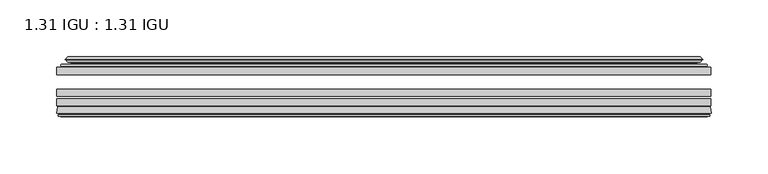
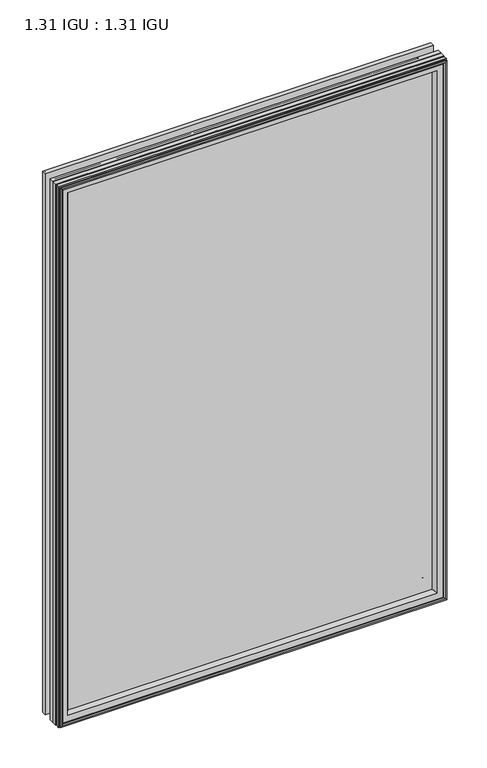
"""IFC4 building model written with IfcOpenShell, lengths in millimetres: plate geometry, 1.31 IGU : 1.31 IGU."""

import ifcopenshell
import ifcopenshell.guid

model = None  # the IFC model being written
_history = None  # IfcOwnerHistory: only IFC2X3 demands one
_inside = {}  # id of a spatial element -> (the spatial element, [elements in it])
_under = {}  # id of a project, library or spatial element -> (it, [spatial elements below it])
_declared = {}  # id of a project -> (the project, [libraries it declares])
_typed = {}  # id of a type object -> (the type object, [elements of that type])
_made_of = {}  # id of a material, layer set ... -> (it, [elements and type objects made of it])


def new_model(schema):
    """Start an empty IFC model of exactly this schema.

    Asked for "IFC4X3", IfcOpenShell would pick the latest addendum, in which some entities
    have other attributes; the version numbers below select the first issue.
    IFC2X3 requires an IfcOwnerHistory on every rooted entity: one is made here for all.
    """
    global model, _history
    if schema == "IFC4X3":
        model = ifcopenshell.file(schema_version=(4, 3, 0, 0))
    else:
        model = ifcopenshell.file(schema=schema)
    _inside.clear()
    _under.clear()
    _declared.clear()
    _typed.clear()
    _made_of.clear()
    _history = None
    if model.schema == "IFC2X3":
        org = make("IfcOrganization", Name="unknown")
        user = make(
            "IfcPersonAndOrganization",
            ThePerson=make("IfcPerson", FamilyName="unknown"),
            TheOrganization=org,
        )
        app = make(
            "IfcApplication",
            ApplicationDeveloper=org,
            Version="unknown",
            ApplicationFullName="unknown",
            ApplicationIdentifier="unknown",
        )
        _history = make(
            "IfcOwnerHistory",
            OwningUser=user,
            OwningApplication=app,
            ChangeAction="ADDED",
            CreationDate=0,
        )
    return model


def make(cls, **values):
    """One entity of the class cls with the attributes given. An attribute that is None is left unset."""
    return model.create_entity(
        cls, **{name: value for name, value in values.items() if value is not None}
    )


def rooted(cls, **values):
    """An entity with a GlobalId (a new one), such as an element, a storey or a relation."""
    return make(cls, GlobalId=ifcopenshell.guid.new(), OwnerHistory=_history, **values)


def si_unit(unit_type, name, prefix=None):
    """IfcSIUnit, for example si_unit("LENGTHUNIT", "METRE", prefix="MILLI")."""
    return make("IfcSIUnit", UnitType=unit_type, Prefix=prefix, Name=name)


def assignment(units):
    """IfcUnitAssignment: the units of a project."""
    return None if units is None else make("IfcUnitAssignment", Units=units)


def point(xyz):
    """IfcCartesianPoint."""
    return None if xyz is None else make("IfcCartesianPoint", Coordinates=xyz)


def direction(xyz):
    """IfcDirection."""
    return None if xyz is None else make("IfcDirection", DirectionRatios=xyz)


def frame(location, z_axis=None, x_axis=None):
    """IfcAxis2Placement3D, a coordinate frame: its origin and axes. An axis left out is left unset."""
    return make(
        "IfcAxis2Placement3D",
        Location=point(location),
        Axis=direction(z_axis),
        RefDirection=direction(x_axis),
    )


def origin():
    """The frame at (0, 0, 0) with its axes left unset."""
    return frame((0.0, 0.0, 0.0))


def place(relative_to, where):
    """IfcLocalPlacement: puts the frame where relative to a parent placement (None: the world)."""
    return make(
        "IfcLocalPlacement", PlacementRelTo=relative_to, RelativePlacement=where
    )


def context(
    kind, dimensions, precision=None, world=None, true_north=None, identifier=None
):
    """IfcGeometricRepresentationContext, for example the 3D "Model" context."""
    return make(
        "IfcGeometricRepresentationContext",
        ContextIdentifier=identifier,
        ContextType=kind,
        CoordinateSpaceDimension=dimensions,
        Precision=precision,
        WorldCoordinateSystem=world,
        TrueNorth=true_north,
    )


def project(units=None, contexts=None):
    """IfcProject with its units and contexts."""
    return rooted(
        "IfcProject",
        Name="project",
        RepresentationContexts=contexts,
        UnitsInContext=assignment(units),
    )


def spatial(cls, under=None, at=None, **own):
    """A site, building, storey or space (cls), placed at a placement, below another one or the project."""
    s = rooted(cls, ObjectPlacement=at, **own)
    if under is not None:
        _under.setdefault(under.id(), (under, []))[1].append(s)
    return s


def polyline(points):
    """IfcPolyline through the points."""
    return make("IfcPolyline", Points=[point(p) for p in points])


def ellipse_curve(where, semi_axis1, semi_axis2):
    """IfcEllipse in the frame where."""
    return make(
        "IfcEllipse", Position=where, SemiAxis1=semi_axis1, SemiAxis2=semi_axis2
    )


def outline(outer, holes=None, kind="AREA"):
    """IfcArbitraryClosedProfileDef: a profile drawn as a closed curve; with holes, ...WithVoids."""
    if holes is None:
        return make("IfcArbitraryClosedProfileDef", ProfileType=kind, OuterCurve=outer)
    return make(
        "IfcArbitraryProfileDefWithVoids",
        ProfileType=kind,
        OuterCurve=outer,
        InnerCurves=holes,
    )


def extrude(swept, where, along, depth):
    """IfcExtrudedAreaSolid: the profile swept, set in the frame where, extruded along a direction by depth."""
    return make(
        "IfcExtrudedAreaSolid",
        SweptArea=swept,
        Position=where,
        ExtrudedDirection=direction(along),
        Depth=depth,
    )


def shape(context_of_items, identifier, shape_type, items):
    """IfcShapeRepresentation: the items that make up one representation, for example the "Body"."""
    return make(
        "IfcShapeRepresentation",
        ContextOfItems=context_of_items,
        RepresentationIdentifier=identifier,
        RepresentationType=shape_type,
        Items=items,
    )


def source(mapping_origin, context_of_items, identifier, shape_type, items):
    """IfcRepresentationMap: a shape defined once, which mapped items show again and again."""
    return make(
        "IfcRepresentationMap",
        MappingOrigin=mapping_origin,
        MappedRepresentation=shape(context_of_items, identifier, shape_type, items),
    )


def transform(
    local_origin,
    x_axis=None,
    y_axis=None,
    z_axis=None,
    scale=None,
    scale2=None,
    scale3=None,
    uniform=True,
):
    """IfcCartesianTransformationOperator3D, or its non-uniform kind. x_axis, y_axis, z_axis: its Axis1, 2, 3."""
    if uniform:
        return make(
            "IfcCartesianTransformationOperator3D",
            Axis1=direction(x_axis),
            Axis2=direction(y_axis),
            LocalOrigin=point(local_origin),
            Scale=scale,
            Axis3=direction(z_axis),
        )
    return make(
        "IfcCartesianTransformationOperator3DnonUniform",
        Axis1=direction(x_axis),
        Axis2=direction(y_axis),
        LocalOrigin=point(local_origin),
        Scale=scale,
        Axis3=direction(z_axis),
        Scale2=scale2,
        Scale3=scale3,
    )


def mapped(mapping_source, mapping_target):
    """IfcMappedItem: shows the shape of a source again, moved by a transform."""
    return make(
        "IfcMappedItem", MappingSource=mapping_source, MappingTarget=mapping_target
    )


def made_of(thing, what):
    """Note that an element or type object is made of a material, layer set ...; save() writes the relation."""
    if what is not None:
        _made_of.setdefault(what.id(), (what, []))[1].append(thing)
    return thing


def element(
    cls,
    number,
    at=None,
    inside=None,
    cuts=None,
    type_object=None,
    material=None,
    context=None,
    identifier="Body",
    shape_type=None,
    held_by="IfcProductDefinitionShape",
    body=None,
    shapes=None,
    **own,
):
    """One element of the class cls, such as IfcWall. Its Tag is "e" and its number.

    at: its placement. inside: the storey or other place that contains it. cuts: it is an
    opening in that element (IfcRelVoidsElement). A single representation is given by context,
    identifier, shape_type and body (its items); several are given by shapes. held_by: the class
    of the entity that holds the representations. save() writes the other relations.
    """
    e = rooted(cls, Tag="e%d" % number, ObjectPlacement=at, **own)
    if body is not None:
        shapes = [shape(context, identifier, shape_type, body)]
    if shapes is not None:
        e.Representation = make(held_by, Representations=shapes)
    if inside is not None:
        _inside.setdefault(inside.id(), (inside, []))[1].append(e)
    if cuts is not None:
        rooted(
            "IfcRelVoidsElement", RelatingBuildingElement=cuts, RelatedOpeningElement=e
        )
    if type_object is not None:
        _typed.setdefault(type_object.id(), (type_object, []))[1].append(e)
    return made_of(e, material)


def aggregate(whole, parts):
    """IfcRelAggregates: a whole, such as a stair, and the parts it consists of."""
    return rooted("IfcRelAggregates", RelatingObject=whole, RelatedObjects=parts)


def save(model, path):
    """Write the relations noted so far, then the file.

    IfcRelAggregates (storeys below a building ...), IfcRelContainedInSpatialStructure (elements
    in a storey), IfcRelDefinesByType, IfcRelAssociatesMaterial and IfcRelDeclares: one each for
    every whole, place, type object, material and project.
    """
    for whole, parts in _under.values():
        aggregate(whole, parts)
    for where, things in _inside.values():
        rooted(
            "IfcRelContainedInSpatialStructure",
            RelatedElements=things,
            RelatingStructure=where,
        )
    for kind, things in _typed.values():
        rooted("IfcRelDefinesByType", RelatedObjects=things, RelatingType=kind)
    for what, things in _made_of.values():
        rooted("IfcRelAssociatesMaterial", RelatedObjects=things, RelatingMaterial=what)
    for by, libraries in _declared.values():
        rooted("IfcRelDeclares", RelatingContext=by, RelatedDefinitions=libraries)
    model.write(path)


def plane_surface(at):
    """IfcPlane: the flat surface through the origin of the frame at, square to its z axis."""
    return make("IfcPlane", Position=at)


def cylinder_surface(at, radius):
    """IfcCylindricalSurface: all points at the distance radius from the z axis of the frame at."""
    return make("IfcCylindricalSurface", Position=at, Radius=radius)


def revolved_surface(curve, axis_point, axis_direction):
    """IfcSurfaceOfRevolution: the curve turned about the line through axis_point along axis_direction."""
    return make(
        "IfcSurfaceOfRevolution",
        SweptCurve=make("IfcArbitraryOpenProfileDef", ProfileType="CURVE", Curve=curve),
        AxisPosition=make("IfcAxis1Placement", Location=point(axis_point), Axis=direction(axis_direction)),
    )


def advanced_brep(points, edges, surfaces, faces):
    """IfcAdvancedBrep: a solid bounded by faces that lie on surfaces and meet in shared edges.

    An edge is (start, end): straight between two places in points (the first is 0);
    or (start, end, curve); or (start, end, curve, False) where it runs against its curve.
    A face is (place in surfaces, loops), or (place, loops, False) where it looks against
    its surface's normal. A loop lists edges by number (the first is 1), with a minus sign
    where the edge is run from its end to its start. The first loop is the outer one.
    """
    corners = [point(p) for p in points]
    vertices = [make("IfcVertexPoint", VertexGeometry=c) for c in corners]
    made = []
    for start, end, *more in edges:
        made.append(
            make(
                "IfcEdgeCurve",
                EdgeStart=vertices[start],
                EdgeEnd=vertices[end],
                EdgeGeometry=more[0] if more else make("IfcPolyline", Points=[corners[start], corners[end]]),
                SameSense=more[1] if len(more) > 1 else True,
            )
        )
    hull = []
    for where, loops, *sense in faces:
        bounds = []
        for j, loop in enumerate(loops):
            ring = [make("IfcOrientedEdge", EdgeElement=made[abs(k) - 1], Orientation=k > 0) for k in loop]
            bounds.append(
                make(
                    "IfcFaceOuterBound" if j == 0 else "IfcFaceBound",
                    Bound=make("IfcEdgeLoop", EdgeList=ring),
                    Orientation=True,
                )
            )
        hull.append(make("IfcAdvancedFace", Bounds=bounds, FaceSurface=surfaces[where], SameSense=sense[0] if sense else True))
    return make("IfcAdvancedBrep", Outer=make("IfcClosedShell", CfsFaces=hull))


def plate_1_31_igu_1_31_igu_b3c1c8fb(model_context):
    return source(origin(), model_context, "Body", "SolidModel", [
        extrude(outline(polyline([(287.2705532, -51.7723437), (287.2705532, -58.1223438), (-287.3375, -58.1223438), (-287.3375, -51.7723437), (287.2705532, -51.7723437)])), frame((0.0, 0.0, -14.2875), z_axis=(0.0, 0.0, 1.0), x_axis=(1.0, 0.0, 0.0)), (0.0, 0.0, 1.0), 845.56038),
        extrude(outline(polyline([(-287.3375, -85.4273438), (-287.3375, -79.0773437), (287.2705532, -79.0773437), (287.2705532, -85.4273438), (-287.3375, -85.4273438)])), frame((0.0, 0.0, -14.2875), z_axis=(0.0, 0.0, 1.0), x_axis=(1.0, 0.0, 0.0)), (0.0, 0.0, 1.0), 845.56038),
        extrude(outline(polyline([(-287.3375, -77.1723438), (-287.3375, -70.8223438), (287.2705532, -70.8223438), (287.2705532, -77.1723438), (-287.3375, -77.1723438)])), frame((0.0, 0.0, -14.2875), z_axis=(0.0, 0.0, 1.0), x_axis=(1.0, 0.0, 0.0)), (0.0, 0.0, 1.0), 845.56038),
        advanced_brep(
        [(-287.3502, -91.7773437, 831.28558), (-286.6554162, -86.1187838, 830.5907962), (-286.6554162, -86.1187838, -13.6054162), (-287.3502, -91.7773437, -14.3002), (-284.9626, -93.768408, 828.89798), (-285.4198, -91.7773437, 829.35518), (-285.4198, -91.7773437, -12.3698), (-284.9626, -93.768408, -11.9126), (-285.9639619, -93.5000939, 829.8993418), (-285.9639619, -93.5000939, -12.9139619), (-286.2072, -94.407871, 830.14258), (-286.2072, -94.407871, -13.1572), (-284.1752, -94.9523437, 828.11058), (-284.1752, -94.9523437, -11.1252), (-282.1432, -94.407871, 826.07858), (-282.1432, -94.407871, -9.0932), (-282.3864381, -93.5000939, 826.3218181), (-282.3864381, -93.5000939, -9.3364381), (-283.3878, -93.768408, 827.32318), (-283.3878, -93.768408, -10.3378), (-282.9306, -91.7773437, 826.86598), (-282.9306, -91.7773437, -9.8806), (-268.8609786, -85.4273437, 812.7963585), (-273.05, -91.7773437, 816.98538), (-273.05, -91.7773437, 0.0), (-268.8609786, -85.4273437, 4.1890214), (-285.8738854, -85.4273437, 829.8092653), (-285.8738854, -85.4273437, -12.8238854), (286.6554162, -86.1187838, -13.6054162), (287.3502, -91.7773437, -14.3002), (285.4198, -91.7773437, -12.3698), (284.9626, -93.768408, -11.9126), (285.9639619, -93.5000939, -12.9139619), (286.2072, -94.407871, -13.1572), (284.1752, -94.9523437, -11.1252), (282.1432, -94.407871, -9.0932), (282.3864381, -93.5000939, -9.3364381), (283.3878, -93.768408, -10.3378), (282.9306, -91.7773437, -9.8806), (273.05, -91.7773437, 0.0), (268.8609786, -85.4273437, 4.1890214), (285.8738854, -85.4273437, -12.8238854), (286.6554162, -86.1187838, 830.5907962), (287.3502, -91.7773437, 831.28558), (285.4198, -91.7773437, 829.35518), (284.9626, -93.768408, 828.89798), (285.9639619, -93.5000939, 829.8993418), (286.2072, -94.407871, 830.14258), (284.1752, -94.9523437, 828.11058), (282.1432, -94.407871, 826.07858), (282.3864381, -93.5000939, 826.3218181), (283.3878, -93.768408, 827.32318), (282.9306, -91.7773437, 826.86598), (273.05, -91.7773437, 816.98538), (268.8609786, -85.4273437, 812.7963585), (285.8738854, -85.4273437, 829.8092653)],
        [
            (0, 1),
            (1, 2),
            (2, 3),
            (3, 0),
            (4, 5),
            (5, 6),
            (6, 7),
            (7, 4),
            (8, 4),
            (7, 9),
            (9, 8),
            (10, 8),
            (9, 11),
            (11, 10),
            (12, 10),
            (11, 13),
            (13, 12),
            (14, 12),
            (13, 15),
            (15, 14),
            (16, 14),
            (15, 17),
            (17, 16),
            (18, 16),
            (17, 19),
            (19, 18),
            (20, 18),
            (19, 21),
            (21, 20),
            (22, 23, ellipse_curve(frame((-266.066106, -91.8278132, 810.001486), z_axis=(0.7071067811865475, 0.0, 0.7071067811865475), x_axis=(0.7071067811865474, 0.0, -0.7071067811865476)), 9.8769754, 6.9840763)),
            (23, 24),
            (24, 25, ellipse_curve(frame((-266.066106, -91.8278132, 6.983894), z_axis=(0.7071067811865475, 0.0, -0.7071067811865475), x_axis=(-0.7071067811865474, 0.0, -0.7071067811865476)), 9.8769754, 6.9840763)),
            (25, 22),
            (1, 26, ellipse_curve(frame((-285.8738854, -86.2147437, 829.8092653), z_axis=(-0.7071067811865475, 0.0, -0.7071067811865475), x_axis=(-0.7071067811865474, 0.0, 0.7071067811865476)), 1.1135518, 0.7874)),
            (26, 27),
            (27, 2, ellipse_curve(frame((-285.8738854, -86.2147437, -12.8238854), z_axis=(-0.7071067811865475, 0.0, 0.7071067811865475), x_axis=(0.7071067811865474, 0.0, 0.7071067811865476)), 1.1135518, 0.7874)),
            (2, 28),
            (28, 29),
            (29, 3),
            (6, 30),
            (30, 31),
            (31, 7),
            (31, 32),
            (32, 9),
            (32, 33),
            (33, 11),
            (33, 34),
            (34, 13),
            (34, 35),
            (35, 15),
            (35, 36),
            (36, 17),
            (36, 37),
            (37, 19),
            (37, 38),
            (38, 21),
            (24, 39),
            (39, 40, ellipse_curve(frame((266.066106, -91.8278132, 6.983894), z_axis=(0.7071067811865475, 0.0, 0.7071067811865475), x_axis=(0.7071067811865476, 0.0, -0.7071067811865474)), 9.8769754, 6.9840763)),
            (40, 25),
            (27, 41),
            (41, 28, ellipse_curve(frame((285.8738854, -86.2147437, -12.8238854), z_axis=(-0.7071067811865475, 0.0, -0.7071067811865475), x_axis=(-0.7071067811865476, 0.0, 0.7071067811865474)), 1.1135518, 0.7874)),
            (28, 42),
            (42, 43),
            (43, 29),
            (30, 44),
            (44, 45),
            (45, 31),
            (45, 46),
            (46, 32),
            (46, 47),
            (47, 33),
            (47, 48),
            (48, 34),
            (48, 49),
            (49, 35),
            (49, 50),
            (50, 36),
            (50, 51),
            (51, 37),
            (51, 52),
            (52, 38),
            (39, 53),
            (53, 54, ellipse_curve(frame((266.066106, -91.8278132, 810.001486), z_axis=(-0.7071067811865475, 0.0, 0.7071067811865475), x_axis=(0.7071067811865474, 0.0, 0.7071067811865476)), 9.8769754, 6.9840763)),
            (54, 40),
            (41, 55),
            (55, 42, ellipse_curve(frame((285.8738854, -86.2147437, 829.8092653), z_axis=(0.7071067811865475, 0.0, -0.7071067811865475), x_axis=(-0.7071067811865474, 0.0, -0.7071067811865476)), 1.1135518, 0.7874)),
            (42, 1),
            (0, 43),
            (5, 44),
            (4, 45),
            (8, 46),
            (10, 47),
            (12, 48),
            (14, 49),
            (16, 50),
            (18, 51),
            (20, 52),
            (23, 53),
            (22, 54),
            (26, 55),
        ],
        [
            plane_surface(frame((-286.6554162, -86.1187838, 830.5907962), z_axis=(-0.9925461516413241, 0.12186934340513103, 0.0), x_axis=(0.0, 0.0, -1.0))),
            plane_surface(frame((-285.4198, -91.7773437, 829.35518), z_axis=(-0.9746347637895992, -0.22380142361654515, 0.0), x_axis=(0.0, 0.0, -1.0))),
            plane_surface(frame((-284.9626, -93.768408, 828.89798), z_axis=(0.25881904510266784, 0.9659258262890289, 0.0), x_axis=(0.0, 0.0, -1.0))),
            plane_surface(frame((-285.9639619, -93.5000939, 829.8993418), z_axis=(-0.9659258262890449, 0.2588190451026083, 0.0), x_axis=(0.0, 0.0, -1.0))),
            plane_surface(frame((-286.2072, -94.407871, 830.14258), z_axis=(-0.25881904510250453, -0.9659258262890726, 0.0), x_axis=(0.0, 0.0, -1.0))),
            plane_surface(frame((-284.1752, -94.9523437, 828.11058), z_axis=(0.258819045102479, -0.9659258262890795, 0.0), x_axis=(0.0, 0.0, -1.0))),
            plane_surface(frame((-282.1432, -94.407871, 826.07858), z_axis=(0.9659258262890272, 0.25881904510267406, 0.0), x_axis=(0.0, 0.0, -1.0))),
            plane_surface(frame((-282.3864381, -93.5000939, 826.3218181), z_axis=(-0.25881904510234177, 0.9659258262891163, 0.0), x_axis=(0.0, 0.0, -1.0))),
            plane_surface(frame((-283.3878, -93.768408, 827.32318), z_axis=(0.9746347637895937, -0.22380142361656946, 0.0), x_axis=(0.0, 0.0, -1.0))),
            revolved_surface(polyline([(-273.0501823, -91.8278132, -0.00018228295277822326), (-273.0501823, -91.8278132, 816.9855622829527)]), (-266.066106, -91.8278132, 848.73538), (0.0, 0.0, -1.0)),
            cylinder_surface(frame((-285.8738854, -86.2147437, 848.73538), z_axis=(0.0, 0.0, 1.0), x_axis=(-1.0, 0.0, 0.0)), 0.7874),
            plane_surface(frame((-286.6554162, -86.1187838, -13.6054162), z_axis=(0.0, 0.12186934340512784, -0.9925461516413245), x_axis=(1.0, 0.0, 0.0))),
            plane_surface(frame((-285.4198, -91.7773437, -12.3698), z_axis=(0.0, -0.22380142361654828, -0.9746347637895986), x_axis=(1.0, 0.0, 0.0))),
            plane_surface(frame((-284.9626, -93.768408, -11.9126), z_axis=(0.0, 0.9659258262890298, 0.25881904510266474), x_axis=(1.0, 0.0, 0.0))),
            plane_surface(frame((-285.9639619, -93.5000939, -12.9139619), z_axis=(0.0, 0.25881904510260517, -0.9659258262890458), x_axis=(1.0, 0.0, 0.0))),
            plane_surface(frame((-286.2072, -94.407871, -13.1572), z_axis=(0.0, -0.9659258262890735, -0.2588190451025014), x_axis=(1.0, 0.0, 0.0))),
            plane_surface(frame((-284.1752, -94.9523437, -11.1252), z_axis=(0.0, -0.9659258262890786, 0.2588190451024821), x_axis=(1.0, 0.0, 0.0))),
            plane_surface(frame((-282.1432, -94.407871, -9.0932), z_axis=(0.0, 0.2588190451026772, 0.9659258262890265), x_axis=(1.0, 0.0, 0.0))),
            plane_surface(frame((-282.3864381, -93.5000939, -9.3364381), z_axis=(0.0, 0.9659258262891154, -0.2588190451023449), x_axis=(1.0, 0.0, 0.0))),
            plane_surface(frame((-283.3878, -93.768408, -10.3378), z_axis=(0.0, -0.22380142361656633, 0.9746347637895943), x_axis=(1.0, 0.0, 0.0))),
            revolved_surface(polyline([(273.0501822829527, -91.8278132, -0.00018229999999963553), (-273.0501822829527, -91.8278132, -0.00018229999999963553)]), (-304.8, -91.8278132, 6.983894), (1.0, 0.0, 0.0)),
            cylinder_surface(frame((-304.8, -86.2147437, -12.8238854), z_axis=(-1.0, 0.0, 0.0), x_axis=(0.0, 0.0, -1.0)), 0.7874),
            plane_surface(frame((286.6554162, -86.1187838, -13.6054162), z_axis=(0.992546151641325, 0.12186934340512465, 0.0), x_axis=(0.0, 0.0, 1.0))),
            plane_surface(frame((285.4198, -91.7773437, -12.3698), z_axis=(0.9746347637895978, -0.2238014236165514, 0.0), x_axis=(0.0, 0.0, 1.0))),
            plane_surface(frame((284.9626, -93.768408, -11.9126), z_axis=(-0.2588190451026616, 0.9659258262890307, 0.0), x_axis=(0.0, 0.0, 1.0))),
            plane_surface(frame((285.9639619, -93.5000939, -12.9139619), z_axis=(0.9659258262890467, 0.25881904510260206, 0.0), x_axis=(0.0, 0.0, 1.0))),
            plane_surface(frame((286.2072, -94.407871, -13.1572), z_axis=(0.2588190451024983, -0.9659258262890744, 0.0), x_axis=(0.0, 0.0, 1.0))),
            plane_surface(frame((284.1752, -94.9523437, -11.1252), z_axis=(-0.25881904510248527, -0.9659258262890779, 0.0), x_axis=(0.0, 0.0, 1.0))),
            plane_surface(frame((282.1432, -94.407871, -9.0932), z_axis=(-0.9659258262890256, 0.25881904510268033, 0.0), x_axis=(0.0, 0.0, 1.0))),
            plane_surface(frame((282.3864381, -93.5000939, -9.3364381), z_axis=(0.25881904510234804, 0.9659258262891146, 0.0), x_axis=(0.0, 0.0, 1.0))),
            plane_surface(frame((283.3878, -93.768408, -10.3378), z_axis=(-0.974634763789595, -0.2238014236165632, 0.0), x_axis=(0.0, 0.0, 1.0))),
            revolved_surface(polyline([(273.0501823, -91.8278132, 816.9855622829527), (273.0501823, -91.8278132, -0.0001822829527107217)]), (266.066106, -91.8278132, -31.75), (0.0, 0.0, 1.0)),
            cylinder_surface(frame((285.8738854, -86.2147437, -31.75), z_axis=(0.0, 0.0, -1.0), x_axis=(1.0, 0.0, 0.0)), 0.7874),
            plane_surface(frame((286.6554162, -86.1187838, 830.5907962), z_axis=(0.0, 0.12186934340512784, 0.9925461516413245), x_axis=(-1.0, 0.0, 0.0))),
            plane_surface(frame((287.3502, -91.7773437, 831.28558), z_axis=(0.0, -1.0, 0.0), x_axis=(-1.0, 0.0, 0.0))),
            plane_surface(frame((285.4198, -91.7773437, 829.35518), z_axis=(0.0, -0.22380142361654826, 0.9746347637895985), x_axis=(-1.0, 0.0, 0.0))),
            plane_surface(frame((284.9626, -93.768408, 828.89798), z_axis=(0.0, 0.9659258262890298, -0.25881904510266474), x_axis=(-1.0, 0.0, 0.0))),
            plane_surface(frame((285.9639619, -93.5000939, 829.8993418), z_axis=(0.0, 0.25881904510260517, 0.9659258262890458), x_axis=(-1.0, 0.0, 0.0))),
            plane_surface(frame((286.2072, -94.407871, 830.14258), z_axis=(0.0, -0.9659258262890735, 0.2588190451025014), x_axis=(-1.0, 0.0, 0.0))),
            plane_surface(frame((284.1752, -94.9523437, 828.11058), z_axis=(0.0, -0.9659258262890787, -0.25881904510248216), x_axis=(-1.0, 0.0, 0.0))),
            plane_surface(frame((282.1432, -94.407871, 826.07858), z_axis=(0.0, 0.2588190451026772, -0.9659258262890265), x_axis=(-1.0, 0.0, 0.0))),
            plane_surface(frame((282.3864381, -93.5000939, 826.3218181), z_axis=(0.0, 0.9659258262891155, 0.25881904510234494), x_axis=(-1.0, 0.0, 0.0))),
            plane_surface(frame((283.3878, -93.768408, 827.32318), z_axis=(0.0, -0.22380142361656633, -0.9746347637895943), x_axis=(-1.0, 0.0, 0.0))),
            plane_surface(frame((282.9306, -91.7773437, 826.86598), z_axis=(0.0, -1.0, 0.0), x_axis=(-1.0, 0.0, 0.0))),
            revolved_surface(polyline([(-273.0501822829527, -91.8278132, 816.9855623), (273.0501822829527, -91.8278132, 816.9855623)]), (304.8, -91.8278132, 810.001486), (-1.0, 0.0, 0.0)),
            plane_surface(frame((268.8609786, -85.4273437, 812.7963585), z_axis=(0.0, 1.0, 0.0), x_axis=(-1.0, 0.0, 0.0))),
            cylinder_surface(frame((304.8, -86.2147437, 829.8092653), z_axis=(1.0, 0.0, 0.0), x_axis=(0.0, 0.0, 1.0)), 0.7874),
        ],
        [
            (0, [[1, 2, 3, 4]]),
            (1, [[5, 6, 7, 8]]),
            (2, [[9, -8, 10, 11]]),
            (3, [[12, -11, 13, 14]]),
            (4, [[15, -14, 16, 17]]),
            (5, [[18, -17, 19, 20]]),
            (6, [[21, -20, 22, 23]]),
            (7, [[24, -23, 25, 26]]),
            (8, [[27, -26, 28, 29]]),
            (9, [[30, 31, 32, 33]]),
            (10, [[34, 35, 36, -2]]),
            (11, [[-3, 37, 38, 39]]),
            (12, [[-7, 40, 41, 42]]),
            (13, [[-10, -42, 43, 44]]),
            (14, [[-13, -44, 45, 46]]),
            (15, [[-16, -46, 47, 48]]),
            (16, [[-19, -48, 49, 50]]),
            (17, [[-22, -50, 51, 52]]),
            (18, [[-25, -52, 53, 54]]),
            (19, [[-28, -54, 55, 56]]),
            (20, [[-32, 57, 58, 59]]),
            (21, [[-36, 60, 61, -37]]),
            (22, [[-38, 62, 63, 64]]),
            (23, [[-41, 65, 66, 67]]),
            (24, [[-43, -67, 68, 69]]),
            (25, [[-45, -69, 70, 71]]),
            (26, [[-47, -71, 72, 73]]),
            (27, [[-49, -73, 74, 75]]),
            (28, [[-51, -75, 76, 77]]),
            (29, [[-53, -77, 78, 79]]),
            (30, [[-55, -79, 80, 81]]),
            (31, [[-58, 82, 83, 84]]),
            (32, [[-61, 85, 86, -62]]),
            (33, [[-63, 87, -1, 88]]),
            (34, [[-39, -64, -88, -4], [89, -65, -40, -6]]),
            (35, [[-66, -89, -5, 90]]),
            (36, [[-68, -90, -9, 91]]),
            (37, [[-70, -91, -12, 92]]),
            (38, [[-72, -92, -15, 93]]),
            (39, [[-74, -93, -18, 94]]),
            (40, [[-76, -94, -21, 95]]),
            (41, [[-78, -95, -24, 96]]),
            (42, [[-80, -96, -27, 97]]),
            (43, [[-56, -81, -97, -29], [98, -82, -57, -31]]),
            (44, [[-83, -98, -30, 99]]),
            (45, [[100, -85, -60, -35], [-59, -84, -99, -33]]),
            (46, [[-86, -100, -34, -87]]),
        ],
    ),
        advanced_brep(
        [(-269.0022902, -50.6812421, 812.9376701), (-269.4441004, -51.7723437, 813.3794803), (-269.4441004, -51.7723437, 3.6058996), (-269.0022902, -50.6812421, 4.0477098), (-273.05, -42.9585437, 816.98538), (-273.05, -42.9585437, 0.0), (-278.2359109, -44.1396428, 822.1712908), (-278.2359109, -44.1396428, -5.1859109), (-277.9063356, -43.3125262, 821.8417156), (-277.9063356, -43.3125262, -4.8563356), (-277.9063356, -42.4982749, 821.8417156), (-277.9063356, -42.4982749, -4.8563356), (-279.7226111, -44.4569108, 823.657991), (-279.7226111, -44.4569108, -6.6726111), (-279.7226111, -45.1700367, 823.657991), (-279.7226111, -45.1700367, -6.6726111), (-277.9063356, -47.1188911, 821.8417156), (-277.9063356, -47.1188911, -4.8563356), (-277.9063356, -46.3144213, 821.8417156), (-277.9063356, -46.3144213, -4.8563356), (-278.2282501, -45.5065305, 822.1636301), (-278.2282501, -45.5065305, -5.1782501), (-275.7044379, -45.3481387, 819.6398178), (-275.7044379, -45.3481387, -2.6544379), (-274.6786217, -46.0358481, 818.6140016), (-274.6786217, -46.0358481, -1.6286217), (-274.7970288, -47.4303169, 818.7324088), (-274.7970288, -47.4303169, -1.7470288), (-275.3987748, -48.9275437, 819.3341547), (-275.3987748, -48.9275437, -2.3487748), (-283.3245553, -50.8359667, 827.2599353), (-282.8389245, -48.9275437, 826.7743045), (-282.8389245, -48.9275437, -9.7889245), (-283.3245553, -50.8359667, -10.2745553), (-281.6038155, -51.7723437, 825.5391954), (-281.6038155, -51.7723437, -8.5538155), (269.4441004, -51.7723437, 3.6058996), (269.0022902, -50.6812421, 4.0477098), (273.05, -42.9585437, 0.0), (278.2359109, -44.1396428, -5.1859109), (277.9063356, -43.3125262, -4.8563356), (277.9063356, -42.4982749, -4.8563356), (279.7226111, -44.4569108, -6.6726111), (279.7226111, -45.1700367, -6.6726111), (277.9063356, -47.1188911, -4.8563356), (277.9063356, -46.3144213, -4.8563356), (278.2282501, -45.5065305, -5.1782501), (275.7044379, -45.3481387, -2.6544379), (274.6786217, -46.0358481, -1.6286217), (274.7970288, -47.4303169, -1.7470288), (275.3987748, -48.9275437, -2.3487748), (282.8389245, -48.9275437, -9.7889245), (283.3245553, -50.8359667, -10.2745553), (281.6038155, -51.7723437, -8.5538155), (269.4441004, -51.7723437, 813.3794803), (269.0022902, -50.6812421, 812.9376701), (273.05, -42.9585437, 816.98538), (278.2359109, -44.1396428, 822.1712908), (277.9063356, -43.3125262, 821.8417156), (277.9063356, -42.4982749, 821.8417156), (279.7226111, -44.4569108, 823.657991), (279.7226111, -45.1700367, 823.657991), (277.9063356, -47.1188911, 821.8417156), (277.9063356, -46.3144213, 821.8417156), (278.2282501, -45.5065305, 822.1636301), (275.7044379, -45.3481387, 819.6398178), (274.6786217, -46.0358481, 818.6140016), (274.7970288, -47.4303169, 818.7324088), (275.3987748, -48.9275437, 819.3341547), (282.8389245, -48.9275437, 826.7743045), (283.3245553, -50.8359667, 827.2599353), (281.6038155, -51.7723437, 825.5391954)],
        [
            (0, 1, ellipse_curve(frame((-269.4441004, -51.1373437, 813.3794803), z_axis=(-0.7071067811865475, 0.0, -0.7071067811865475), x_axis=(-0.7071067811865474, 0.0, 0.7071067811865476)), 0.8980256, 0.635)),
            (1, 2),
            (2, 3, ellipse_curve(frame((-269.4441004, -51.1373437, 3.6058996), z_axis=(-0.7071067811865475, 0.0, 0.7071067811865475), x_axis=(0.7071067811865474, 0.0, 0.7071067811865476)), 0.8980256, 0.635)),
            (3, 0),
            (4, 0, ellipse_curve(frame((-259.3172054, -40.6828682, 803.2525854), z_axis=(0.7071067811865475, 0.0, 0.7071067811865475), x_axis=(0.7071067811865474, 0.0, -0.7071067811865476)), 19.6859517, 13.9200699)),
            (3, 5, ellipse_curve(frame((-259.3172054, -40.6828682, 13.7327946), z_axis=(0.7071067811865475, 0.0, -0.7071067811865475), x_axis=(-0.7071067811865474, 0.0, -0.7071067811865476)), 19.6859517, 13.9200699)),
            (5, 4),
            (6, 4),
            (5, 7),
            (7, 6),
            (8, 6),
            (7, 9),
            (9, 8),
            (10, 8),
            (9, 11),
            (11, 10),
            (12, 10),
            (11, 13),
            (13, 12),
            (14, 12, ellipse_curve(frame((-279.3607729, -44.8134737, 823.2961529), z_axis=(-0.7071067811865475, 0.0, -0.7071067811865475), x_axis=(-0.7071067811865474, 0.0, 0.7071067811865476)), 0.7184205, 0.508)),
            (13, 15, ellipse_curve(frame((-279.3607729, -44.8134737, -6.3107729), z_axis=(-0.7071067811865475, 0.0, 0.7071067811865475), x_axis=(0.7071067811865474, 0.0, 0.7071067811865476)), 0.7184205, 0.508)),
            (15, 14),
            (16, 14),
            (15, 17),
            (17, 16),
            (18, 16),
            (17, 19),
            (19, 18),
            (20, 18),
            (19, 21),
            (21, 20),
            (22, 20),
            (21, 23),
            (23, 22),
            (24, 22, ellipse_curve(frame((-275.6408, -46.3621437, 819.57618), z_axis=(0.7071067811865475, 0.0, 0.7071067811865475), x_axis=(0.7071067811865474, 0.0, -0.7071067811865476)), 1.436841, 1.016)),
            (23, 25, ellipse_curve(frame((-275.6408, -46.3621437, -2.5908), z_axis=(0.7071067811865475, 0.0, -0.7071067811865475), x_axis=(-0.7071067811865474, 0.0, -0.7071067811865476)), 1.436841, 1.016)),
            (25, 24),
            (26, 24, ellipse_curve(frame((-277.0124, -46.5399437, 820.94778), z_axis=(0.7071067811865475, 0.0, 0.7071067811865475), x_axis=(0.7071067811865474, 0.0, -0.7071067811865476)), 3.3765763, 2.3876)),
            (25, 27, ellipse_curve(frame((-277.0124, -46.5399437, -3.9624), z_axis=(0.7071067811865475, 0.0, -0.7071067811865475), x_axis=(-0.7071067811865474, 0.0, -0.7071067811865476)), 3.3765763, 2.3876)),
            (27, 26),
            (28, 26),
            (27, 29),
            (29, 28),
            (30, 31, ellipse_curve(frame((-282.8389245, -49.9435437, 826.7743045), z_axis=(-0.7071067811865475, 0.0, -0.7071067811865475), x_axis=(-0.7071067811865474, 0.0, 0.7071067811865476)), 1.436841, 1.016)),
            (31, 32),
            (32, 33, ellipse_curve(frame((-282.8389245, -49.9435437, -9.7889245), z_axis=(-0.7071067811865475, 0.0, 0.7071067811865475), x_axis=(0.7071067811865474, 0.0, 0.7071067811865476)), 1.436841, 1.016)),
            (33, 30),
            (34, 30),
            (33, 35),
            (35, 34),
            (2, 36),
            (36, 37, ellipse_curve(frame((269.4441004, -51.1373437, 3.6058996), z_axis=(-0.7071067811865475, 0.0, -0.7071067811865475), x_axis=(-0.7071067811865476, 0.0, 0.7071067811865474)), 0.8980256, 0.635)),
            (37, 3),
            (37, 38, ellipse_curve(frame((259.3172054, -40.6828682, 13.7327946), z_axis=(0.7071067811865475, 0.0, 0.7071067811865475), x_axis=(0.7071067811865476, 0.0, -0.7071067811865474)), 19.6859517, 13.9200699)),
            (38, 5),
            (38, 39),
            (39, 7),
            (39, 40),
            (40, 9),
            (40, 41),
            (41, 11),
            (41, 42),
            (42, 13),
            (42, 43, ellipse_curve(frame((279.3607729, -44.8134737, -6.3107729), z_axis=(-0.7071067811865475, 0.0, -0.7071067811865475), x_axis=(-0.7071067811865476, 0.0, 0.7071067811865474)), 0.7184205, 0.508)),
            (43, 15),
            (43, 44),
            (44, 17),
            (44, 45),
            (45, 19),
            (45, 46),
            (46, 21),
            (46, 47),
            (47, 23),
            (47, 48, ellipse_curve(frame((275.6408, -46.3621437, -2.5908), z_axis=(0.7071067811865475, 0.0, 0.7071067811865475), x_axis=(0.7071067811865476, 0.0, -0.7071067811865474)), 1.436841, 1.016)),
            (48, 25),
            (48, 49, ellipse_curve(frame((277.0124, -46.5399437, -3.9624), z_axis=(0.7071067811865475, 0.0, 0.7071067811865475), x_axis=(0.7071067811865476, 0.0, -0.7071067811865474)), 3.3765763, 2.3876)),
            (49, 27),
            (49, 50),
            (50, 29),
            (32, 51),
            (51, 52, ellipse_curve(frame((282.8389245, -49.9435437, -9.7889245), z_axis=(-0.7071067811865475, 0.0, -0.7071067811865475), x_axis=(-0.7071067811865476, 0.0, 0.7071067811865474)), 1.436841, 1.016)),
            (52, 33),
            (52, 53),
            (53, 35),
            (36, 54),
            (54, 55, ellipse_curve(frame((269.4441004, -51.1373437, 813.3794803), z_axis=(0.7071067811865475, 0.0, -0.7071067811865475), x_axis=(-0.7071067811865474, 0.0, -0.7071067811865476)), 0.8980256, 0.635)),
            (55, 37),
            (55, 56, ellipse_curve(frame((259.3172054, -40.6828682, 803.2525854), z_axis=(-0.7071067811865475, 0.0, 0.7071067811865475), x_axis=(0.7071067811865474, 0.0, 0.7071067811865476)), 19.6859517, 13.9200699)),
            (56, 38),
            (56, 57),
            (57, 39),
            (57, 58),
            (58, 40),
            (58, 59),
            (59, 41),
            (59, 60),
            (60, 42),
            (60, 61, ellipse_curve(frame((279.3607729, -44.8134737, 823.2961529), z_axis=(0.7071067811865475, 0.0, -0.7071067811865475), x_axis=(-0.7071067811865474, 0.0, -0.7071067811865476)), 0.7184205, 0.508)),
            (61, 43),
            (61, 62),
            (62, 44),
            (62, 63),
            (63, 45),
            (63, 64),
            (64, 46),
            (64, 65),
            (65, 47),
            (65, 66, ellipse_curve(frame((275.6408, -46.3621437, 819.57618), z_axis=(-0.7071067811865475, 0.0, 0.7071067811865475), x_axis=(0.7071067811865474, 0.0, 0.7071067811865476)), 1.436841, 1.016)),
            (66, 48),
            (66, 67, ellipse_curve(frame((277.0124, -46.5399437, 820.94778), z_axis=(-0.7071067811865475, 0.0, 0.7071067811865475), x_axis=(0.7071067811865474, 0.0, 0.7071067811865476)), 3.3765763, 2.3876)),
            (67, 49),
            (67, 68),
            (68, 50),
            (51, 69),
            (69, 70, ellipse_curve(frame((282.8389245, -49.9435437, 826.7743045), z_axis=(0.7071067811865475, 0.0, -0.7071067811865475), x_axis=(-0.7071067811865474, 0.0, -0.7071067811865476)), 1.436841, 1.016)),
            (70, 52),
            (70, 71),
            (71, 53),
            (54, 1),
            (0, 55),
            (4, 56),
            (6, 57),
            (8, 58),
            (10, 59),
            (12, 60),
            (14, 61),
            (16, 62),
            (18, 63),
            (20, 64),
            (22, 65),
            (24, 66),
            (26, 67),
            (28, 68),
            (31, 69),
            (30, 70),
            (34, 71),
        ],
        [
            cylinder_surface(frame((-269.4441004, -51.1373437, 848.73538), z_axis=(0.0, 0.0, 1.0), x_axis=(-1.0, 0.0, 0.0)), 0.635),
            revolved_surface(polyline([(-273.23727529999996, -40.6828682, -0.18727534118079348), (-273.23727529999996, -40.6828682, 817.1726553411809)]), (-259.3172054, -40.6828682, 848.73538), (0.0, 0.0, -1.0)),
            plane_surface(frame((-273.05, -42.9585437, 816.98538), z_axis=(-0.22206498442778808, 0.9750318675259215, 0.0), x_axis=(0.0, 0.0, -1.0))),
            plane_surface(frame((-278.2359109, -44.1396428, 822.1712908), z_axis=(0.9289682685629942, -0.3701593656833133, 0.0), x_axis=(0.0, 0.0, -1.0))),
            plane_surface(frame((-277.9063356, -43.3125262, 821.8417156), z_axis=(1.0, 0.0, 0.0), x_axis=(0.0, 0.0, -1.0))),
            plane_surface(frame((-277.9063356, -42.4982749, 821.8417156), z_axis=(-0.7332521292723948, 0.6799568478348454, 0.0), x_axis=(0.0, 0.0, -1.0))),
            cylinder_surface(frame((-279.3607729, -44.8134737, 848.73538), z_axis=(0.0, 0.0, 1.0), x_axis=(-1.0, 0.0, 0.0)), 0.508),
            plane_surface(frame((-279.7226111, -45.1700367, 823.657991), z_axis=(-0.7315522693036389, -0.6817853601220082, 0.0), x_axis=(0.0, 0.0, -1.0))),
            plane_surface(frame((-277.9063356, -47.1188911, 821.8417156), z_axis=(1.0, 0.0, 0.0), x_axis=(0.0, 0.0, -1.0))),
            plane_surface(frame((-277.9063356, -46.3144213, 821.8417156), z_axis=(0.9289682685631103, 0.37015936568302166, 0.0), x_axis=(0.0, 0.0, -1.0))),
            plane_surface(frame((-278.2282501, -45.5065305, 822.1636301), z_axis=(0.06263570119321646, -0.9980364567169048, 0.0), x_axis=(0.0, 0.0, -1.0))),
            revolved_surface(polyline([(-276.65680000000003, -46.3621437, -3.606800014586838), (-276.65680000000003, -46.3621437, 820.5921800145869)]), (-275.6408, -46.3621437, 848.73538), (0.0, 0.0, -1.0)),
            revolved_surface(polyline([(-279.40000000000003, -46.5399437, -6.3499999989237494), (-279.40000000000003, -46.5399437, 823.3353799989237)]), (-277.0124, -46.5399437, 848.73538), (0.0, 0.0, -1.0)),
            plane_surface(frame((-274.7970288, -47.4303169, 818.7324088), z_axis=(-0.927865292542892, 0.3729155385530262, 0.0), x_axis=(0.0, 0.0, -1.0))),
            cylinder_surface(frame((-282.8389245, -49.9435437, 848.73538), z_axis=(0.0, 0.0, 1.0), x_axis=(-1.0, 0.0, 0.0)), 1.016),
            plane_surface(frame((-283.3245553, -50.8359667, 827.2599353), z_axis=(-0.477983117370979, -0.8783690223979447, 0.0), x_axis=(0.0, 0.0, -1.0))),
            cylinder_surface(frame((-304.8, -51.1373437, 3.6058996), z_axis=(-1.0, 0.0, 0.0), x_axis=(0.0, 0.0, -1.0)), 0.635),
            revolved_surface(polyline([(273.2372753411808, -40.6828682, -0.1872752999999996), (-273.2372753411808, -40.6828682, -0.1872752999999996)]), (-304.8, -40.6828682, 13.7327946), (1.0, 0.0, 0.0)),
            plane_surface(frame((-273.05, -42.9585437, 0.0), z_axis=(0.0, 0.9750318675259209, -0.2220649844277912), x_axis=(1.0, 0.0, 0.0))),
            plane_surface(frame((-278.2359109, -44.1396428, -5.1859109), z_axis=(0.0, -0.3701593656833103, 0.9289682685629954), x_axis=(1.0, 0.0, 0.0))),
            plane_surface(frame((-277.9063356, -43.3125262, -4.8563356), z_axis=(0.0, 0.0, 1.0), x_axis=(1.0, 0.0, 0.0))),
            plane_surface(frame((-277.9063356, -42.4982749, -4.8563356), z_axis=(0.0, 0.6799568478348431, -0.733252129272397), x_axis=(1.0, 0.0, 0.0))),
            cylinder_surface(frame((-304.8, -44.8134737, -6.3107729), z_axis=(-1.0, 0.0, 0.0), x_axis=(0.0, 0.0, -1.0)), 0.508),
            plane_surface(frame((-279.7226111, -45.1700367, -6.6726111), z_axis=(0.0, -0.6817853601220105, -0.7315522693036367), x_axis=(1.0, 0.0, 0.0))),
            plane_surface(frame((-277.9063356, -47.1188911, -4.8563356), z_axis=(0.0, 0.0, 1.0), x_axis=(1.0, 0.0, 0.0))),
            plane_surface(frame((-277.9063356, -46.3144213, -4.8563356), z_axis=(0.0, 0.37015936568302465, 0.9289682685631091), x_axis=(1.0, 0.0, 0.0))),
            plane_surface(frame((-278.2282501, -45.5065305, -5.1782501), z_axis=(0.0, -0.9980364567169046, 0.06263570119321968), x_axis=(1.0, 0.0, 0.0))),
            revolved_surface(polyline([(276.65680001458696, -46.3621437, -3.6068000000000002), (-276.65680001458685, -46.3621437, -3.6068000000000002)]), (-304.8, -46.3621437, -2.5908), (1.0, 0.0, 0.0)),
            revolved_surface(polyline([(279.39999999892376, -46.5399437, -6.35), (-279.3999999989238, -46.5399437, -6.35)]), (-304.8, -46.5399437, -3.9624), (1.0, 0.0, 0.0)),
            plane_surface(frame((-274.7970288, -47.4303169, -1.7470288), z_axis=(0.0, 0.37291553855302323, -0.9278652925428932), x_axis=(1.0, 0.0, 0.0))),
            cylinder_surface(frame((-304.8, -49.9435437, -9.7889245), z_axis=(-1.0, 0.0, 0.0), x_axis=(0.0, 0.0, -1.0)), 1.016),
            plane_surface(frame((-283.3245553, -50.8359667, -10.2745553), z_axis=(0.0, -0.8783690223979462, -0.47798311737097615), x_axis=(1.0, 0.0, 0.0))),
            cylinder_surface(frame((269.4441004, -51.1373437, -31.75), z_axis=(0.0, 0.0, -1.0), x_axis=(1.0, 0.0, 0.0)), 0.635),
            revolved_surface(polyline([(273.23727529999996, -40.6828682, 817.1726553411809), (273.23727529999996, -40.6828682, -0.1872753411808432)]), (259.3172054, -40.6828682, -31.75), (0.0, 0.0, 1.0)),
            plane_surface(frame((273.05, -42.9585437, 0.0), z_axis=(0.22206498442779435, 0.9750318675259202, 0.0), x_axis=(0.0, 0.0, 1.0))),
            plane_surface(frame((278.2359109, -44.1396428, -5.1859109), z_axis=(-0.9289682685629966, -0.3701593656833073, 0.0), x_axis=(0.0, 0.0, 1.0))),
            plane_surface(frame((277.9063356, -43.3125262, -4.8563356), z_axis=(-1.0, 0.0, 0.0), x_axis=(0.0, 0.0, 1.0))),
            plane_surface(frame((277.9063356, -42.4982749, -4.8563356), z_axis=(0.7332521292723992, 0.6799568478348408, 0.0), x_axis=(0.0, 0.0, 1.0))),
            cylinder_surface(frame((279.3607729, -44.8134737, -31.75), z_axis=(0.0, 0.0, -1.0), x_axis=(1.0, 0.0, 0.0)), 0.508),
            plane_surface(frame((279.7226111, -45.1700367, -6.6726111), z_axis=(0.7315522693036345, -0.6817853601220129, 0.0), x_axis=(0.0, 0.0, 1.0))),
            plane_surface(frame((277.9063356, -47.1188911, -4.8563356), z_axis=(-1.0, 0.0, 0.0), x_axis=(0.0, 0.0, 1.0))),
            plane_surface(frame((277.9063356, -46.3144213, -4.8563356), z_axis=(-0.928968268563108, 0.3701593656830277, 0.0), x_axis=(0.0, 0.0, 1.0))),
            plane_surface(frame((278.2282501, -45.5065305, -5.1782501), z_axis=(-0.0626357011932229, -0.9980364567169043, 0.0), x_axis=(0.0, 0.0, 1.0))),
            revolved_surface(polyline([(276.65680000000003, -46.3621437, 820.5921800145869), (276.65680000000003, -46.3621437, -3.606800014586863)]), (275.6408, -46.3621437, -31.75), (0.0, 0.0, 1.0)),
            revolved_surface(polyline([(279.40000000000003, -46.5399437, 823.3353799989237), (279.40000000000003, -46.5399437, -6.349999998923781)]), (277.0124, -46.5399437, -31.75), (0.0, 0.0, 1.0)),
            plane_surface(frame((274.7970288, -47.4303169, -1.7470288), z_axis=(0.9278652925428944, 0.37291553855302023, 0.0), x_axis=(0.0, 0.0, 1.0))),
            cylinder_surface(frame((282.8389245, -49.9435437, -31.75), z_axis=(0.0, 0.0, -1.0), x_axis=(1.0, 0.0, 0.0)), 1.016),
            plane_surface(frame((283.3245553, -50.8359667, -10.2745553), z_axis=(0.4779831173709733, -0.8783690223979478, 0.0), x_axis=(0.0, 0.0, 1.0))),
            cylinder_surface(frame((304.8, -51.1373437, 813.3794803), z_axis=(1.0, 0.0, 0.0), x_axis=(0.0, 0.0, 1.0)), 0.635),
            revolved_surface(polyline([(-273.2372753411808, -40.6828682, 817.1726553000001), (273.2372753411808, -40.6828682, 817.1726553000001)]), (304.8, -40.6828682, 803.2525854), (-1.0, 0.0, 0.0)),
            plane_surface(frame((273.05, -42.9585437, 816.98538), z_axis=(0.0, 0.9750318675259209, 0.2220649844277912), x_axis=(-1.0, 0.0, 0.0))),
            plane_surface(frame((278.2359109, -44.1396428, 822.1712908), z_axis=(0.0, -0.3701593656833103, -0.9289682685629954), x_axis=(-1.0, 0.0, 0.0))),
            plane_surface(frame((277.9063356, -43.3125262, 821.8417156), z_axis=(0.0, 0.0, -1.0), x_axis=(-1.0, 0.0, 0.0))),
            plane_surface(frame((277.9063356, -42.4982749, 821.8417156), z_axis=(0.0, 0.6799568478348431, 0.733252129272397), x_axis=(-1.0, 0.0, 0.0))),
            cylinder_surface(frame((304.8, -44.8134737, 823.2961529), z_axis=(1.0, 0.0, 0.0), x_axis=(0.0, 0.0, 1.0)), 0.508),
            plane_surface(frame((279.7226111, -45.1700367, 823.657991), z_axis=(0.0, -0.6817853601220105, 0.7315522693036367), x_axis=(-1.0, 0.0, 0.0))),
            plane_surface(frame((277.9063356, -47.1188911, 821.8417156), z_axis=(0.0, 0.0, -1.0), x_axis=(-1.0, 0.0, 0.0))),
            plane_surface(frame((277.9063356, -46.3144213, 821.8417156), z_axis=(0.0, 0.3701593656830247, -0.9289682685631092), x_axis=(-1.0, 0.0, 0.0))),
            plane_surface(frame((278.2282501, -45.5065305, 822.1636301), z_axis=(0.0, -0.9980364567169046, -0.06263570119321968), x_axis=(-1.0, 0.0, 0.0))),
            revolved_surface(polyline([(-276.65680001458696, -46.3621437, 820.59218), (276.65680001458685, -46.3621437, 820.59218)]), (304.8, -46.3621437, 819.57618), (-1.0, 0.0, 0.0)),
            revolved_surface(polyline([(-279.39999999892376, -46.5399437, 823.33538), (279.3999999989238, -46.5399437, 823.33538)]), (304.8, -46.5399437, 820.94778), (-1.0, 0.0, 0.0)),
            plane_surface(frame((274.7970288, -47.4303169, 818.7324088), z_axis=(0.0, 0.37291553855302323, 0.9278652925428932), x_axis=(-1.0, 0.0, 0.0))),
            plane_surface(frame((275.3987748, -48.9275437, 819.3341547), z_axis=(0.0, 1.0, 0.0), x_axis=(-1.0, 0.0, 0.0))),
            cylinder_surface(frame((304.8, -49.9435437, 826.7743045), z_axis=(1.0, 0.0, 0.0), x_axis=(0.0, 0.0, 1.0)), 1.016),
            plane_surface(frame((283.3245553, -50.8359667, 827.2599353), z_axis=(0.0, -0.8783690223979462, 0.47798311737097615), x_axis=(-1.0, 0.0, 0.0))),
            plane_surface(frame((281.6038155, -51.7723437, 825.5391954), z_axis=(0.0, -1.0, 0.0), x_axis=(-1.0, 0.0, 0.0))),
        ],
        [
            (0, [[1, 2, 3, 4]]),
            (1, [[5, -4, 6, 7]]),
            (2, [[8, -7, 9, 10]]),
            (3, [[11, -10, 12, 13]]),
            (4, [[14, -13, 15, 16]]),
            (5, [[17, -16, 18, 19]]),
            (6, [[20, -19, 21, 22]]),
            (7, [[23, -22, 24, 25]]),
            (8, [[26, -25, 27, 28]]),
            (9, [[29, -28, 30, 31]]),
            (10, [[32, -31, 33, 34]]),
            (11, [[35, -34, 36, 37]]),
            (12, [[38, -37, 39, 40]]),
            (13, [[41, -40, 42, 43]]),
            (14, [[44, 45, 46, 47]]),
            (15, [[48, -47, 49, 50]]),
            (16, [[-3, 51, 52, 53]]),
            (17, [[-6, -53, 54, 55]]),
            (18, [[-9, -55, 56, 57]]),
            (19, [[-12, -57, 58, 59]]),
            (20, [[-15, -59, 60, 61]]),
            (21, [[-18, -61, 62, 63]]),
            (22, [[-21, -63, 64, 65]]),
            (23, [[-24, -65, 66, 67]]),
            (24, [[-27, -67, 68, 69]]),
            (25, [[-30, -69, 70, 71]]),
            (26, [[-33, -71, 72, 73]]),
            (27, [[-36, -73, 74, 75]]),
            (28, [[-39, -75, 76, 77]]),
            (29, [[-42, -77, 78, 79]]),
            (30, [[-46, 80, 81, 82]]),
            (31, [[-49, -82, 83, 84]]),
            (32, [[-52, 85, 86, 87]]),
            (33, [[-54, -87, 88, 89]]),
            (34, [[-56, -89, 90, 91]]),
            (35, [[-58, -91, 92, 93]]),
            (36, [[-60, -93, 94, 95]]),
            (37, [[-62, -95, 96, 97]]),
            (38, [[-64, -97, 98, 99]]),
            (39, [[-66, -99, 100, 101]]),
            (40, [[-68, -101, 102, 103]]),
            (41, [[-70, -103, 104, 105]]),
            (42, [[-72, -105, 106, 107]]),
            (43, [[-74, -107, 108, 109]]),
            (44, [[-76, -109, 110, 111]]),
            (45, [[-78, -111, 112, 113]]),
            (46, [[-81, 114, 115, 116]]),
            (47, [[-83, -116, 117, 118]]),
            (48, [[-86, 119, -1, 120]]),
            (49, [[-88, -120, -5, 121]]),
            (50, [[-90, -121, -8, 122]]),
            (51, [[-92, -122, -11, 123]]),
            (52, [[-94, -123, -14, 124]]),
            (53, [[-96, -124, -17, 125]]),
            (54, [[-98, -125, -20, 126]]),
            (55, [[-100, -126, -23, 127]]),
            (56, [[-102, -127, -26, 128]]),
            (57, [[-104, -128, -29, 129]]),
            (58, [[-106, -129, -32, 130]]),
            (59, [[-108, -130, -35, 131]]),
            (60, [[-110, -131, -38, 132]]),
            (61, [[-112, -132, -41, 133]]),
            (62, [[134, -114, -80, -45], [-79, -113, -133, -43]]),
            (63, [[-115, -134, -44, 135]]),
            (64, [[-117, -135, -48, 136]]),
            (65, [[-84, -118, -136, -50], [-119, -85, -51, -2]]),
        ],
    ),
    ])


if __name__ == "__main__":
    model = new_model("IFC4")
    model_context = context("Model", 3, world=origin())
    ifc_project = project(units=[si_unit("LENGTHUNIT", "METRE", prefix="MILLI")], contexts=[model_context])
    site = spatial("IfcSite", under=ifc_project)
    building = spatial("IfcBuilding", under=site)
    placement = place(None, origin())
    plate_1_31_igu_1_31_igu_shape = plate_1_31_igu_1_31_igu_b3c1c8fb(model_context)
    element("IfcPlate", 1, ObjectType="1.31 IGU : 1.31 IGU", at=placement, inside=building, context=model_context, shape_type="MappedRepresentation", body=[
        mapped(plate_1_31_igu_1_31_igu_shape, transform((0.0, 0.0, 0.0), x_axis=(1.0, 0.0, 0.0), y_axis=(0.0, 1.0, 0.0), z_axis=(0.0, 0.0, 1.0))),
    ])
    save(model, "model.ifc")
